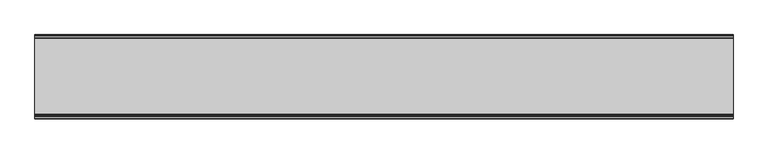
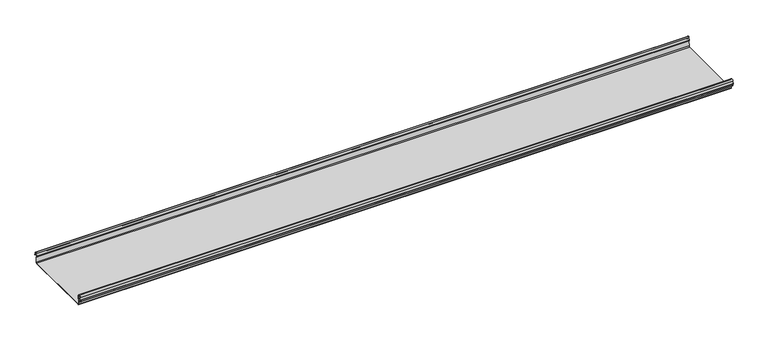
"""IFC4 building model written with IfcOpenShell, lengths in millimetres: beam geometry."""

from ifc_helpers import new_model, si_unit, frame, origin, place, context, project, spatial, polyline, circle_curve, source, transform, mapped, element, save
from ifc_brep_helpers import plane_surface, cylinder_surface, revolved_surface, advanced_brep


def beam_559c445f(model_context):
    return source(origin(), model_context, "Body", "AdvancedBrep", [
        advanced_brep(
        [(1467.74873, 174.5298471, 17.4730576), (1467.74873, 169.9958217, 21.2486363), (1467.74873, 165.4890072, 17.6093124), (1467.74873, 163.0420077, 6.2503755), (1467.74873, 164.7006671, 3.7959761), (1467.74873, 165.8698319, 2.0849359), (1467.74873, 164.3793103, -21.3247551), (1467.74873, 160.6848586, -24.7896475), (1467.74873, -159.5640942, -24.7896475), (1467.74873, -163.2568715, -21.3207217), (1467.74873, -164.7263748, 2.1632779), (1467.74873, -164.0984471, 3.0966958), (1467.74873, -161.8868093, 6.1624874), (1467.74873, -162.770348, 17.3389905), (1467.74873, -170.0, 24.0196704), (1467.74873, -177.229652, 17.3389905), (1467.74873, -178.1131907, 6.1624874), (1467.74873, -175.9015529, 3.0966958), (1467.74873, -175.2736252, 2.1632779), (1467.74873, -175.6653397, -4.0966758), (1467.74873, -174.6633838, -4.0966758), (1467.74873, -174.255975, 2.4140875), (1467.74873, -175.661391, 4.0675496), (1467.74873, -177.1158116, 6.08368), (1467.74873, -176.2261211, 17.3379999), (1467.74873, -170.0, 23.0196704), (1467.74873, -163.767144, 17.2589936), (1467.74873, -162.8795452, 6.0037927), (1467.74873, -164.338609, 4.0675496), (1467.74873, -165.744025, 2.4140875), (1467.74873, -164.2549195, -21.3831743), (1467.74873, -159.5640942, -25.7896475), (1467.74873, 160.6846135, -25.7896475), (1467.74873, 165.3772895, -21.3882975), (1467.74873, 166.868024, 2.0247376), (1467.74873, 164.9644432, 4.7613501), (1467.74873, 164.0277999, 6.0779003), (1467.74873, 166.4434849, 17.2822335), (1467.74873, 170.0063307, 20.2496221), (1467.74873, 173.4803249, 17.6539317), (1467.74873, 175.5075757, 6.5459412), (1467.74873, 176.5074356, 6.7299959), (-1467.74873, 174.5298471, 17.4730576), (-1467.74873, 176.5074356, 6.7299959), (-1467.74873, 175.5075757, 6.5459412), (-1467.74873, 173.4803249, 17.6539317), (-1467.74873, 170.0063307, 20.2496221), (-1467.74873, 166.4434849, 17.2822335), (-1467.74873, 164.0277999, 6.0779003), (-1467.74873, 164.9644432, 4.7613501), (-1467.74873, 166.868024, 2.0247376), (-1467.74873, 165.3772895, -21.3882975), (-1467.74873, 160.6846135, -25.7896475), (-1467.74873, -159.5640942, -25.7896475), (-1467.74873, -164.2549195, -21.3831743), (-1467.74873, -165.744025, 2.4140875), (-1467.74873, -164.338609, 4.0675496), (-1467.74873, -162.8795452, 6.0037927), (-1467.74873, -163.767144, 17.2589936), (-1467.74873, -170.0, 23.0196704), (-1467.74873, -176.2261211, 17.3379999), (-1467.74873, -177.1158116, 6.08368), (-1467.74873, -175.661391, 4.0675496), (-1467.74873, -174.255975, 2.4140875), (-1467.74873, -174.6633838, -4.0966758), (-1467.74873, -175.6653397, -4.0966758), (-1467.74873, -175.2736252, 2.1632779), (-1467.74873, -175.9015529, 3.0966958), (-1467.74873, -178.1066021, 6.2458324), (-1467.74873, -177.229652, 17.3389905), (-1467.74873, -170.0, 24.0196704), (-1467.74873, -162.770348, 17.3389905), (-1467.74873, -161.8868093, 6.1624874), (-1467.74873, -164.0984471, 3.0966958), (-1467.74873, -164.7263748, 2.1632779), (-1467.74873, -163.2568715, -21.3207217), (-1467.74873, -159.5640942, -24.7896475), (-1467.74873, 160.6848586, -24.7896475), (-1467.74873, 164.3793103, -21.3247551), (-1467.74873, 165.8698319, 2.0849359), (-1467.74873, 164.7006671, 3.7959761), (-1467.74873, 163.0420077, 6.2503755), (-1467.74873, 165.4890072, 17.6093124), (-1467.74873, 169.9958217, 21.2486363)],
        [
            (0, 1, circle_curve(frame((1467.74873, 169.9958217, 16.6384317), z_axis=(1.0, 0.0, 0.0), x_axis=(0.0, 1.0, 0.0)), 4.6102046)),
            (1, 2, circle_curve(frame((1467.74873, 169.9958217, 16.6384317), z_axis=(1.0, 0.0, 0.0), x_axis=(0.0, 0.2105938444020083, 0.9775736456656259)), 4.6102046)),
            (2, 3),
            (3, 4, circle_curve(frame((1467.74873, 165.4262002, 6.073937), z_axis=(1.0, 0.0, 0.0), x_axis=(0.0, -0.9528378408797884, 0.30347989881958104)), 2.3907121)),
            (4, 5, circle_curve(frame((1467.74873, 164.1897695, 2.1919074), z_axis=(-1.0, 0.0, 0.0), x_axis=(0.0, 0.06354246328302078, 0.9979791357337717)), 1.6834645)),
            (5, 6),
            (6, 7, circle_curve(frame((1467.74873, 160.6867875, -21.089648), z_axis=(-1.0, 0.0, 0.0), x_axis=(0.0, 0.9999998641088232, -0.0005213274739325337)), 3.7)),
            (7, 8),
            (8, 9, circle_curve(frame((1467.74873, -159.5640942, -21.0896475), z_axis=(-1.0, 0.0, 0.0), x_axis=(0.0, 0.062452508687223206, -0.9980479368039755)), 3.7)),
            (9, 10),
            (10, 11, circle_curve(frame((1467.74873, -163.8044049, 2.2209698), z_axis=(-1.0, 0.0, 0.0), x_axis=(0.0, -0.9479881328261025, -0.31830567073314897)), 0.9237732)),
            (11, 12, circle_curve(frame((1467.74873, -164.7984694, 5.9323112), z_axis=(1.0, 0.0, 0.0), x_axis=(0.0, 0.07880737243916666, -0.9968898625471294)), 2.9207441)),
            (12, 13),
            (13, 14, circle_curve(frame((1467.74873, -170.0, 16.7674631), z_axis=(1.0, 0.0, 0.0), x_axis=(0.0, 1.0, 0.0)), 7.2522073)),
            (14, 15, circle_curve(frame((1467.74873, -170.0, 16.7674631), z_axis=(1.0, 0.0, 0.0), x_axis=(0.0, 0.07880737243912425, 0.9968898625471327)), 7.2522073)),
            (15, 16),
            (16, 17, circle_curve(frame((1467.74873, -175.2001089, 5.9344165), z_axis=(1.0, 0.0, 0.0), x_axis=(0.0, -0.9707819351134729, 0.2399634023290655)), 2.9231288)),
            (17, 18, circle_curve(frame((1467.74873, -176.1025472, 2.2835649), z_axis=(-1.0, 0.0, 0.0), x_axis=(0.0, 0.14360843272178178, 0.9896345881441257)), 0.8376041)),
            (18, 19),
            (19, 20, circle_curve(frame((1467.74873, -175.1643617, -4.0966758), z_axis=(1.0, 0.0, 0.0), x_axis=(0.0, 0.0, -1.0)), 0.5009779)),
            (20, 21),
            (21, 22, circle_curve(frame((1467.74873, -176.1062911, 2.2653702), z_axis=(1.0, 0.0, 0.0), x_axis=(0.0, 0.9708537722163966, -0.23967259537375799)), 1.856283)),
            (22, 23, circle_curve(frame((1467.74873, -175.2010412, 5.9323112), z_axis=(-1.0, 0.0, 0.0), x_axis=(0.0, -0.07880737243914376, -0.9968898625471312)), 1.9207441)),
            (23, 24),
            (24, 25, circle_curve(frame((1467.74873, -170.0770494, 16.8518958), z_axis=(-1.0, 0.0, 0.0), x_axis=(0.0, -0.9999219808421378, 0.012491286112139365)), 6.1682558)),
            (25, 26, circle_curve(frame((1467.74873, -170.0791743, 16.6817991), z_axis=(-1.0, 0.0, 0.0), x_axis=(0.0, -0.09106361391821856, 0.9958450774192508)), 6.3383658)),
            (26, 27),
            (27, 28, circle_curve(frame((1467.74873, -164.70299, 5.8599936), z_axis=(-1.0, 0.0, 0.0), x_axis=(0.0, 0.9799562955839813, 0.19921259685401593)), 1.8291061)),
            (28, 29, circle_curve(frame((1467.74873, -163.9886548, 2.3460727), z_axis=(1.0, 0.0, 0.0), x_axis=(0.0, 0.03871763325448635, 0.9992501913310655)), 1.7566874)),
            (29, 30),
            (30, 31, circle_curve(frame((1467.74873, -159.5640942, -21.0896475), z_axis=(1.0, 0.0, 0.0), x_axis=(0.0, -1.0, 0.0)), 4.7)),
            (31, 32),
            (32, 33, circle_curve(frame((1467.74873, 160.6846135, -21.0873301), z_axis=(1.0, 0.0, 0.0), x_axis=(0.0, -0.06400407594283139, -0.997949637137418)), 4.7023174)),
            (33, 34),
            (34, 35, circle_curve(frame((1467.74873, 164.1939121, 2.1950013), z_axis=(1.0, 0.0, 0.0), x_axis=(0.0, 0.9577619201002135, -0.2875623487279797)), 2.6795268)),
            (35, 36, circle_curve(frame((1467.74873, 165.0972859, 5.8473161), z_axis=(-1.0, 0.0, 0.0), x_axis=(0.0, -0.210759855052358, -0.9775378680635902)), 1.094061)),
            (36, 37),
            (37, 38, circle_curve(frame((1467.74873, 170.0063307, 16.627032), z_axis=(-1.0, 0.0, 0.0), x_axis=(0.0, -1.0, 0.0)), 3.6225901)),
            (38, 39, circle_curve(frame((1467.74873, 170.0063307, 16.627032), z_axis=(-1.0, 0.0, 0.0), x_axis=(0.0, -0.2834711363957483, 0.9589807687490417)), 3.6225901)),
            (39, 40),
            (40, 41, circle_curve(frame((1467.74873, 176.0075057, 6.6379685), z_axis=(1.0, 0.0, 0.0), x_axis=(0.0, 0.18103878268247353, -0.9834759575937014)), 0.5083296)),
            (41, 0),
            (42, 43),
            (43, 44, circle_curve(frame((-1467.74873, 176.0075057, 6.6379685), z_axis=(-1.0, 0.0, 0.0), x_axis=(0.0, 0.18103878268247353, -0.9834759575937014)), 0.5083296)),
            (44, 45),
            (45, 46, circle_curve(frame((-1467.74873, 170.0063307, 16.627032), z_axis=(1.0, 0.0, 0.0), x_axis=(0.0, -0.2834711363957483, 0.9589807687490417)), 3.6225901)),
            (46, 47, circle_curve(frame((-1467.74873, 170.0063307, 16.627032), z_axis=(1.0, 0.0, 0.0), x_axis=(0.0, -1.0, 0.0)), 3.6225901)),
            (47, 48),
            (48, 49, circle_curve(frame((-1467.74873, 165.0972859, 5.8473161), z_axis=(1.0, 0.0, 0.0), x_axis=(0.0, -0.210759855052358, -0.9775378680635902)), 1.094061)),
            (49, 50, circle_curve(frame((-1467.74873, 164.1939121, 2.1950013), z_axis=(-1.0, 0.0, 0.0), x_axis=(0.0, 0.9577619201002135, -0.2875623487279797)), 2.6795268)),
            (50, 51),
            (51, 52, circle_curve(frame((-1467.74873, 160.6846135, -21.0873301), z_axis=(-1.0, 0.0, 0.0), x_axis=(0.0, -0.06400407594283139, -0.997949637137418)), 4.7023174)),
            (52, 53),
            (53, 54, circle_curve(frame((-1467.74873, -159.5640942, -21.0896475), z_axis=(-1.0, 0.0, 0.0), x_axis=(0.0, -1.0, 0.0)), 4.7)),
            (54, 55),
            (55, 56, circle_curve(frame((-1467.74873, -163.9886548, 2.3460727), z_axis=(-1.0, 0.0, 0.0), x_axis=(0.0, 0.03871763325448635, 0.9992501913310655)), 1.7566874)),
            (56, 57, circle_curve(frame((-1467.74873, -164.70299, 5.8599936), z_axis=(1.0, 0.0, 0.0), x_axis=(0.0, 0.9799562955839813, 0.19921259685401593)), 1.8291061)),
            (57, 58),
            (58, 59, circle_curve(frame((-1467.74873, -170.0791743, 16.6817991), z_axis=(1.0, 0.0, 0.0), x_axis=(0.0, -0.09106361391821856, 0.9958450774192508)), 6.3383658)),
            (59, 60, circle_curve(frame((-1467.74873, -170.0770494, 16.8518958), z_axis=(1.0, 0.0, 0.0), x_axis=(0.0, -0.9999219808421378, 0.012491286112139365)), 6.1682558)),
            (60, 61),
            (61, 62, circle_curve(frame((-1467.74873, -175.2010412, 5.9323112), z_axis=(1.0, 0.0, 0.0), x_axis=(0.0, -0.07880737243914376, -0.9968898625471312)), 1.9207441)),
            (62, 63, circle_curve(frame((-1467.74873, -176.1062911, 2.2653702), z_axis=(-1.0, 0.0, 0.0), x_axis=(0.0, 0.9708537722163966, -0.23967259537375799)), 1.856283)),
            (63, 64),
            (64, 65, circle_curve(frame((-1467.74873, -175.1643617, -4.0966758), z_axis=(-1.0, 0.0, 0.0), x_axis=(0.0, 0.0, -1.0)), 0.5009779)),
            (65, 66),
            (66, 67, circle_curve(frame((-1467.74873, -176.1025472, 2.2835649), z_axis=(1.0, 0.0, 0.0), x_axis=(0.0, 0.14360843272178178, 0.9896345881441257)), 0.8376041)),
            (67, 68, circle_curve(frame((-1467.74873, -175.2001089, 5.9344165), z_axis=(-1.0, 0.0, 0.0), x_axis=(0.0, -0.9707819351134729, 0.2399634023290655)), 2.9231288)),
            (68, 69),
            (69, 70, circle_curve(frame((-1467.74873, -170.0, 16.7674631), z_axis=(-1.0, 0.0, 0.0), x_axis=(0.0, 0.07880737243912425, 0.9968898625471327)), 7.2522073)),
            (70, 71, circle_curve(frame((-1467.74873, -170.0, 16.7674631), z_axis=(-1.0, 0.0, 0.0), x_axis=(0.0, 1.0, 0.0)), 7.2522073)),
            (71, 72),
            (72, 73, circle_curve(frame((-1467.74873, -164.7984694, 5.9323112), z_axis=(-1.0, 0.0, 0.0), x_axis=(0.0, 0.07880737243916666, -0.9968898625471294)), 2.9207441)),
            (73, 74, circle_curve(frame((-1467.74873, -163.8044049, 2.2209698), z_axis=(1.0, 0.0, 0.0), x_axis=(0.0, -0.9479881328261025, -0.31830567073314897)), 0.9237732)),
            (74, 75),
            (75, 76, circle_curve(frame((-1467.74873, -159.5640942, -21.0896475), z_axis=(1.0, 0.0, 0.0), x_axis=(0.0, 0.062452508687223206, -0.9980479368039755)), 3.7)),
            (76, 77),
            (77, 78, circle_curve(frame((-1467.74873, 160.6867875, -21.089648), z_axis=(1.0, 0.0, 0.0), x_axis=(0.0, 0.9999998641088232, -0.0005213274739325337)), 3.7)),
            (78, 79),
            (79, 80, circle_curve(frame((-1467.74873, 164.1897695, 2.1919074), z_axis=(1.0, 0.0, 0.0), x_axis=(0.0, 0.06354246328302078, 0.9979791357337717)), 1.6834645)),
            (80, 81, circle_curve(frame((-1467.74873, 165.4262002, 6.073937), z_axis=(-1.0, 0.0, 0.0), x_axis=(0.0, -0.9528378408797884, 0.30347989881958104)), 2.3907121)),
            (81, 82),
            (82, 83, circle_curve(frame((-1467.74873, 169.9958217, 16.6384317), z_axis=(-1.0, 0.0, 0.0), x_axis=(0.0, 0.2105938444020083, 0.9775736456656259)), 4.6102046)),
            (83, 42, circle_curve(frame((-1467.74873, 169.9958217, 16.6384317), z_axis=(-1.0, 0.0, 0.0), x_axis=(0.0, 1.0, 0.0)), 4.6102046)),
            (42, 0),
            (41, 43),
            (40, 44),
            (39, 45),
            (38, 46),
            (37, 47),
            (36, 48),
            (35, 49),
            (34, 50),
            (33, 51),
            (32, 52),
            (31, 53),
            (30, 54),
            (29, 55),
            (28, 56),
            (27, 57),
            (26, 58),
            (25, 59),
            (24, 60),
            (23, 61),
            (22, 62),
            (21, 63),
            (20, 64),
            (19, 65),
            (18, 66),
            (17, 67),
            (16, 68),
            (15, 69),
            (14, 70),
            (13, 71),
            (12, 72),
            (11, 73),
            (10, 74),
            (9, 75),
            (8, 76),
            (7, 77),
            (6, 78),
            (5, 79),
            (4, 80),
            (3, 81),
            (2, 82),
            (1, 83),
        ],
        [
            plane_surface(frame((1467.74873, 176.5074356, 6.7299959), z_axis=(1.0000000000000002, 0.0, 0.0), x_axis=(0.0, -0.18103878268248824, 0.9834759575936989))),
            plane_surface(frame((-1467.74873, 176.5074356, 6.7299959), z_axis=(-1.0000000000000002, 0.0, 0.0), x_axis=(0.0, 0.18103878268248824, -0.9834759575936989))),
            plane_surface(frame((1467.74873, 175.5186413, 12.1015267), z_axis=(0.0, 0.9834759575937931, 0.18103878268197598), x_axis=(0.0, 0.18103878268197598, -0.9834759575937931))),
            cylinder_surface(frame((1467.74873, 176.0075057, 6.6379685), z_axis=(-1.0, 0.0, 0.0), x_axis=(0.0, 0.18103878268247353, -0.9834759575937014)), 0.5083296),
            plane_surface(frame((1467.74873, 174.4939503, 12.0999365), z_axis=(0.0, -0.9837509798366516, -0.17953832368168063), x_axis=(0.0, -0.17953832368168063, 0.9837509798366516))),
            revolved_surface(polyline([(-1467.74873, 168.979430967657, 20.101026238960667), (1467.74873, 168.979430967657, 20.101026238960667)]), (1467.74873, 170.0063307, 16.627032), (-1.0, 0.0, 0.0)),
            revolved_surface(polyline([(-1467.74873, 166.3837406, 16.627032), (1467.74873, 166.3837406, 16.627032)]), (1467.74873, 170.0063307, 16.627032), (-1.0, 0.0, 0.0)),
            plane_surface(frame((1467.74873, 165.2356424, 11.6800669), z_axis=(0.0, 0.9775378680634891, -0.2107598550528272), x_axis=(0.0, -0.2107598550528272, -0.9775378680634891))),
            revolved_surface(polyline([(-1467.74873, 164.86670176222157, 4.77783004252848), (1467.74873, 164.86670176222157, 4.77783004252848)]), (1467.74873, 165.0972859, 5.8473161), (-1.0, 0.0, 0.0)),
            cylinder_surface(frame((1467.74873, 164.1939121, 2.1950013), z_axis=(-1.0, 0.0, 0.0), x_axis=(0.0, 0.9577619201002135, -0.2875623487279797)), 2.6795268),
            plane_surface(frame((1467.74873, 166.1226567, -9.68178), z_axis=(0.0, 0.9979791357337514, -0.06354246328334037), x_axis=(0.0, -0.06354246328334037, -0.9979791357337514))),
            cylinder_surface(frame((1467.74873, 160.6846135, -21.0873301), z_axis=(-1.0, 0.0, 0.0), x_axis=(0.0, -0.06400407594283139, -0.997949637137418)), 4.7023174),
            plane_surface(frame((1467.74873, 0.5602597, -25.7896475), z_axis=(0.0, 0.0, -1.0), x_axis=(0.0, -1.0, 0.0))),
            cylinder_surface(frame((1467.74873, -159.5640942, -21.0896475), z_axis=(-1.0, 0.0, 0.0), x_axis=(0.0, -1.0, 0.0)), 4.7),
            plane_surface(frame((1467.74873, -164.9994722, -9.4845434), z_axis=(0.0, -0.99804793680396, -0.06245250868747398), x_axis=(0.0, -0.06245250868747398, 0.99804793680396))),
            cylinder_surface(frame((1467.74873, -163.9886548, 2.3460727), z_axis=(-1.0, 0.0, 0.0), x_axis=(0.0, 0.03871763325448635, 0.9992501913310655)), 1.7566874),
            revolved_surface(polyline([(-1467.74873, -162.91054596201394, 6.224374576102521), (1467.74873, -162.91054596201394, 6.224374576102521)]), (1467.74873, -164.70299, 5.8599936), (-1.0, 0.0, 0.0)),
            plane_surface(frame((1467.74873, -163.3233446, 11.6313931), z_axis=(0.0, -0.9969048840807634, -0.07861712342689589), x_axis=(0.0, -0.07861712342689589, 0.9969048840807634))),
            revolved_surface(polyline([(-1467.74873, -170.65636879608365, 22.99382948081253), (1467.74873, -170.65636879608365, 22.99382948081253)]), (1467.74873, -170.0791743, 16.6817991), (-1.0, 0.0, 0.0)),
            revolved_surface(polyline([(-1467.74873, -176.244823957877, 16.928945248010663), (1467.74873, -176.244823957877, 16.928945248010663)]), (1467.74873, -170.0770494, 16.8518958), (-1.0, 0.0, 0.0)),
            plane_surface(frame((1467.74873, -176.6709664, 11.71084), z_axis=(0.0, 0.9968898625470921, -0.07880737243963815), x_axis=(0.0, -0.07880737243963815, -0.9968898625470921))),
            revolved_surface(polyline([(-1467.74873, -175.35240999564897, 4.017540878162787), (1467.74873, -175.35240999564897, 4.017540878162787)]), (1467.74873, -175.2010412, 5.9323112), (-1.0, 0.0, 0.0)),
            cylinder_surface(frame((1467.74873, -176.1062911, 2.2653702), z_axis=(-1.0, 0.0, 0.0), x_axis=(0.0, 0.9708537722163966, -0.23967259537375799)), 1.856283),
            plane_surface(frame((1467.74873, -174.4596794, -0.8412941), z_axis=(0.0, 0.9980479368039222, -0.06245250868807452), x_axis=(0.0, -0.06245250868807452, -0.9980479368039222))),
            cylinder_surface(frame((1467.74873, -175.1643617, -4.0966758), z_axis=(-1.0, 0.0, 0.0), x_axis=(0.0, 0.0, -1.0)), 0.5009779),
            plane_surface(frame((1467.74873, -175.4694824, -0.9666989), z_axis=(0.0, -0.9980479368040358, 0.06245250868626084), x_axis=(0.0, 0.06245250868626084, 0.9980479368040358))),
            revolved_surface(polyline([(-1467.74873, -175.98226018795768, 3.112486888531331), (1467.74873, -175.98226018795768, 3.112486888531331)]), (1467.74873, -176.1025472, 2.2835649), (-1.0, 0.0, 0.0)),
            cylinder_surface(frame((1467.74873, -175.2001089, 5.9344165), z_axis=(-1.0, 0.0, 0.0), x_axis=(0.0, -0.9707819351134729, 0.2399634023290655)), 2.9231288),
            plane_surface(frame((1467.74873, -177.6714214, 11.7507389), z_axis=(0.0, -0.9968898625471735, 0.07880737243860966), x_axis=(0.0, 0.07880737243860966, 0.9968898625471735))),
            cylinder_surface(frame((1467.74873, -170.0, 16.7674631), z_axis=(-1.0, 0.0, 0.0), x_axis=(0.0, 0.07880737243912425, 0.9968898625471327)), 7.2522073),
            cylinder_surface(frame((1467.74873, -170.0, 16.7674631), z_axis=(-1.0, 0.0, 0.0), x_axis=(0.0, 1.0, 0.0)), 7.2522073),
            plane_surface(frame((1467.74873, -162.3285786, 11.7507389), z_axis=(0.0, 0.9968898625471712, 0.07880737243863836), x_axis=(0.0, 0.07880737243863836, -0.9968898625471712))),
            cylinder_surface(frame((1467.74873, -164.7984694, 5.9323112), z_axis=(-1.0, 0.0, 0.0), x_axis=(0.0, 0.07880737243916666, -0.9968898625471294)), 2.9207441),
            revolved_surface(polyline([(-1467.74873, -164.6801309310228, 1.9269275519686928), (1467.74873, -164.6801309310228, 1.9269275519686928)]), (1467.74873, -163.8044049, 2.2209698), (-1.0, 0.0, 0.0)),
            plane_surface(frame((1467.74873, -163.9916232, -9.5787219), z_axis=(0.0, 0.9980479368039906, 0.0624525086869835), x_axis=(0.0, 0.0624525086869835, -0.9980479368039906))),
            revolved_surface(polyline([(-1467.74873, -159.33301991785729, -24.78242486617471), (1467.74873, -159.33301991785729, -24.78242486617471)]), (1467.74873, -159.5640942, -21.0896475), (-1.0, 0.0, 0.0)),
            plane_surface(frame((1467.74873, 0.5603822, -24.7896475), z_axis=(0.0, 0.0, 1.0), x_axis=(0.0, 1.0, 0.0))),
            revolved_surface(polyline([(-1467.74873, 164.38678699720265, -21.09157691165355), (1467.74873, 164.38678699720265, -21.09157691165355)]), (1467.74873, 160.6867875, -21.089648), (-1.0, 0.0, 0.0)),
            plane_surface(frame((1467.74873, 165.1245711, -9.6199096), z_axis=(0.0, -0.9979791357337828, 0.06354246328284598), x_axis=(0.0, 0.06354246328284598, 0.9979791357337828))),
            revolved_surface(polyline([(-1467.74873, 164.29674098117954, 3.871969846748486), (1467.74873, 164.29674098117954, 3.871969846748486)]), (1467.74873, 164.1897695, 2.1919074), (-1.0, 0.0, 0.0)),
            cylinder_surface(frame((1467.74873, 165.4262002, 6.073937), z_axis=(-1.0, 0.0, 0.0), x_axis=(0.0, -0.9528378408797884, 0.30347989881958104)), 2.3907121),
            plane_surface(frame((1467.74873, 164.2655075, 11.929844), z_axis=(0.0, -0.9775736456657296, 0.21059384440152715), x_axis=(0.0, 0.21059384440152715, 0.9775736456657296))),
            cylinder_surface(frame((1467.74873, 169.9958217, 16.6384317), z_axis=(-1.0, 0.0, 0.0), x_axis=(0.0, 0.2105938444020083, 0.9775736456656259)), 4.6102046),
            cylinder_surface(frame((1467.74873, 169.9958217, 16.6384317), z_axis=(-1.0, 0.0, 0.0), x_axis=(0.0, 1.0, 0.0)), 4.6102046),
        ],
        [
            (0, [[1, 2, 3, 4, 5, 6, 7, 8, 9, 10, 11, 12, 13, 14, 15, 16, 17, 18, 19, 20, 21, 22, 23, 24, 25, 26, 27, 28, 29, 30, 31, 32, 33, 34, 35, 36, 37, 38, 39, 40, 41, 42]]),
            (1, [[43, 44, 45, 46, 47, 48, 49, 50, 51, 52, 53, 54, 55, 56, 57, 58, 59, 60, 61, 62, 63, 64, 65, 66, 67, 68, 69, 70, 71, 72, 73, 74, 75, 76, 77, 78, 79, 80, 81, 82, 83, 84]]),
            (2, [[-43, 85, -42, 86]]),
            (3, [[-44, -86, -41, 87]]),
            (4, [[-45, -87, -40, 88]]),
            (5, [[-46, -88, -39, 89]]),
            (6, [[-47, -89, -38, 90]]),
            (7, [[-48, -90, -37, 91]]),
            (8, [[-49, -91, -36, 92]]),
            (9, [[-50, -92, -35, 93]]),
            (10, [[-51, -93, -34, 94]]),
            (11, [[-52, -94, -33, 95]]),
            (12, [[-53, -95, -32, 96]]),
            (13, [[-54, -96, -31, 97]]),
            (14, [[-55, -97, -30, 98]]),
            (15, [[-56, -98, -29, 99]]),
            (16, [[-57, -99, -28, 100]]),
            (17, [[-58, -100, -27, 101]]),
            (18, [[-59, -101, -26, 102]]),
            (19, [[-60, -102, -25, 103]]),
            (20, [[-61, -103, -24, 104]]),
            (21, [[-62, -104, -23, 105]]),
            (22, [[-63, -105, -22, 106]]),
            (23, [[-64, -106, -21, 107]]),
            (24, [[-65, -107, -20, 108]]),
            (25, [[-66, -108, -19, 109]]),
            (26, [[-67, -109, -18, 110]]),
            (27, [[-68, -110, -17, 111]]),
            (28, [[-69, -111, -16, 112]]),
            (29, [[-70, -112, -15, 113]]),
            (30, [[-71, -113, -14, 114]]),
            (31, [[-72, -114, -13, 115]]),
            (32, [[-73, -115, -12, 116]]),
            (33, [[-74, -116, -11, 117]]),
            (34, [[-75, -117, -10, 118]]),
            (35, [[-76, -118, -9, 119]]),
            (36, [[-77, -119, -8, 120]]),
            (37, [[-78, -120, -7, 121]]),
            (38, [[-79, -121, -6, 122]]),
            (39, [[-80, -122, -5, 123]]),
            (40, [[-81, -123, -4, 124]]),
            (41, [[-82, -124, -3, 125]]),
            (42, [[-83, -125, -2, 126]]),
            (43, [[-84, -126, -1, -85]]),
        ],
    ),
    ])


if __name__ == "__main__":
    model = new_model("IFC4")
    model_context = context("Model", 3, world=origin())
    ifc_project = project(units=[si_unit("LENGTHUNIT", "METRE", prefix="MILLI")], contexts=[model_context])
    site = spatial("IfcSite", under=ifc_project)
    building = spatial("IfcBuilding", under=site)
    placement = place(None, origin())
    beam_shape = beam_559c445f(model_context)
    element("IfcBeam", 1, at=placement, inside=building, context=model_context, shape_type="MappedRepresentation", body=[
        mapped(beam_shape, transform((0.0, 0.0, 0.0), x_axis=(1.0, 0.0, 0.0), y_axis=(0.0, 1.0, 0.0), z_axis=(0.0, 0.0, 1.0))),
    ])
    save(model, "model.ifc")
